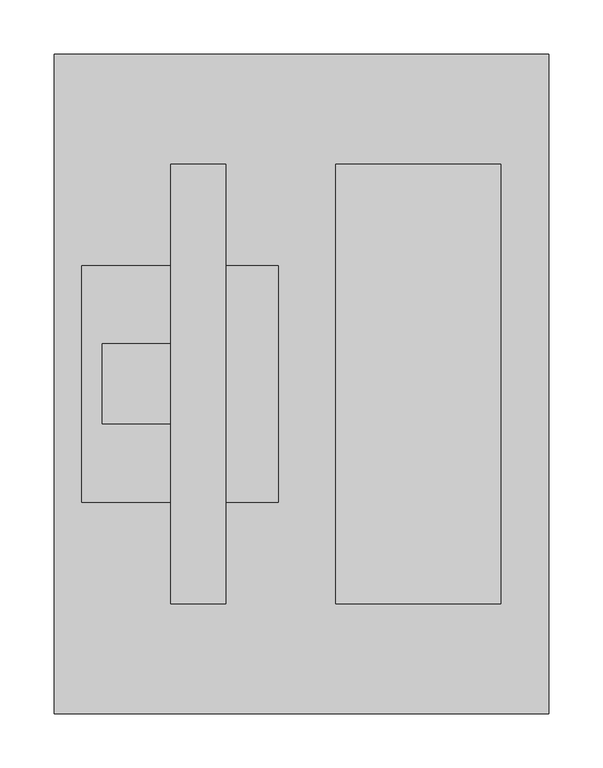
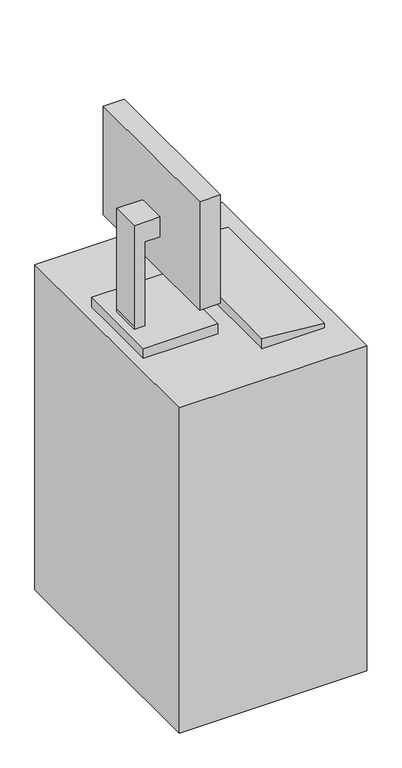
"""IFC4 building model written with IfcOpenShell, lengths in millimetres: proxy geometry."""

from ifc_helpers import new_model, si_unit, frame, origin, place, context, project, spatial, polyline, outline, extrude, faceted_brep, source, transform, mapped, element, save


def communication_devices_5c63a113(model_context):
    return source(origin(), model_context, "Body", "SolidModel", [
        faceted_brep([(-120.5656905, -203.2, 1270.0), (-69.9343095, -203.2, 1270.0), (-69.9343095, 203.2, 1270.0), (-120.5656905, 203.2, 1270.0), (-120.5656905, -203.2, 990.6), (-120.5656905, 203.2, 990.6), (-69.9343095, 203.2, 990.6), (-69.9343095, -203.2, 990.6), (-69.9343095, 190.5, 1257.3), (-69.9343095, 190.5, 1003.3), (-69.9343095, -190.5, 1003.3), (-69.9343095, -190.5, 1257.3), (-74.7205119, -190.5, 1257.3), (-74.7205119, 190.5, 1257.3), (-74.7205119, -190.5, 1003.3), (-74.7205119, 190.5, 1003.3)], [[[0, 1, 2, 3]], [[4, 5, 6, 7]], [[3, 5, 4, 0]], [[2, 6, 5, 3]], [[1, 7, 6, 2], [8, 9, 10, 11]], [[0, 4, 7, 1]], [[12, 13, 8, 11]], [[14, 10, 9, 15]], [[12, 14, 15, 13]], [[13, 15, 9, 8]], [[11, 10, 14, 12]]]),
        faceted_brep([(-21.3676261, -109.1218395, 863.6), (-203.2, -109.1218395, 863.6), (-203.2, -109.1218395, 838.2), (-21.3676261, -109.1218395, 838.2), (-203.2, 109.1218395, 863.6), (-21.3676261, 109.1218395, 863.6), (-21.3676261, 109.1218395, 838.2), (-203.2, 109.1218395, 838.2), (-184.0656905, -36.9685686, 869.95), (-184.0656905, 36.9685686, 869.95), (-184.0656905, 36.9685686, 863.6), (-184.0656905, -36.9685686, 863.6), (-184.0656905, -36.9685686, 1130.3), (-184.0656905, 36.9685686, 1130.3), (-120.5656905, -36.9685686, 1130.3), (-120.5656905, 36.9685686, 1130.3), (-120.5656905, -36.9685686, 1079.5), (-120.5656905, 36.9685686, 1079.5), (-158.6656905, -36.9685686, 1079.5), (-158.6656905, 36.9685686, 1079.5), (-158.6656905, -36.9685686, 863.6), (-158.6656905, 36.9685686, 863.6)], [[[0, 1, 2, 3]], [[4, 5, 6, 7]], [[8, 9, 10, 11]], [[12, 13, 9, 8]], [[14, 15, 13, 12]], [[16, 17, 15, 14]], [[18, 19, 17, 16]], [[20, 21, 19, 18]], [[0, 5, 4, 1], [11, 10, 21, 20]], [[3, 6, 5, 0]], [[2, 7, 6, 3]], [[1, 4, 7, 2]], [[20, 18, 16, 14, 12, 8, 11]], [[10, 9, 13, 15, 17, 19, 21]]]),
        extrude(outline(polyline([(838.2, 184.15), (850.9, 184.15), (863.6, 31.75), (838.2, 31.75), (838.2, 184.15)])), frame((0.0, -203.2, 0.0), z_axis=(0.0, 1.0, 0.0), x_axis=(0.0, 0.0, 1.0)), (0.0, 0.0, 1.0), 406.4),
        faceted_brep([(-228.6, -304.8, 838.2), (228.6, -304.8, 838.2), (228.6, 304.8, 838.2), (-228.6, 304.8, 838.2), (-228.6, -304.8, 0.0), (-228.6, 304.8, 0.0), (228.6, 304.8, 0.0), (228.6, -304.8, 0.0), (228.6, -152.4, 711.2), (228.6, 152.4, 711.2), (228.6, 152.4, 508.0), (228.6, -152.4, 508.0), (226.0203125, -152.4, 711.2), (226.0203125, -152.4, 508.0), (226.0203125, 152.4, 508.0), (226.0203125, 152.4, 711.2)], [[[0, 1, 2, 3]], [[4, 5, 6, 7]], [[1, 0, 4, 7]], [[2, 1, 7, 6], [8, 9, 10, 11]], [[3, 2, 6, 5]], [[0, 3, 5, 4]], [[12, 13, 14, 15]], [[12, 15, 9, 8]], [[15, 14, 10, 9]], [[14, 13, 11, 10]], [[13, 12, 8, 11]]]),
    ])


if __name__ == "__main__":
    model = new_model("IFC4")
    model_context = context("Model", 3, world=origin())
    ifc_project = project(units=[si_unit("LENGTHUNIT", "METRE", prefix="MILLI")], contexts=[model_context])
    site = spatial("IfcSite", under=ifc_project)
    building = spatial("IfcBuilding", under=site)
    placement = place(None, origin())
    communication_devices_shape = communication_devices_5c63a113(model_context)
    element("IfcBuildingElementProxy", 1, Name="Communication Devices", at=placement, inside=building, context=model_context, shape_type="MappedRepresentation", body=[
        mapped(communication_devices_shape, transform((0.0, 0.0, 0.0), x_axis=(1.0, 0.0, 0.0), y_axis=(0.0, 1.0, 0.0), z_axis=(0.0, 0.0, 1.0))),
    ])
    save(model, "model.ifc")
